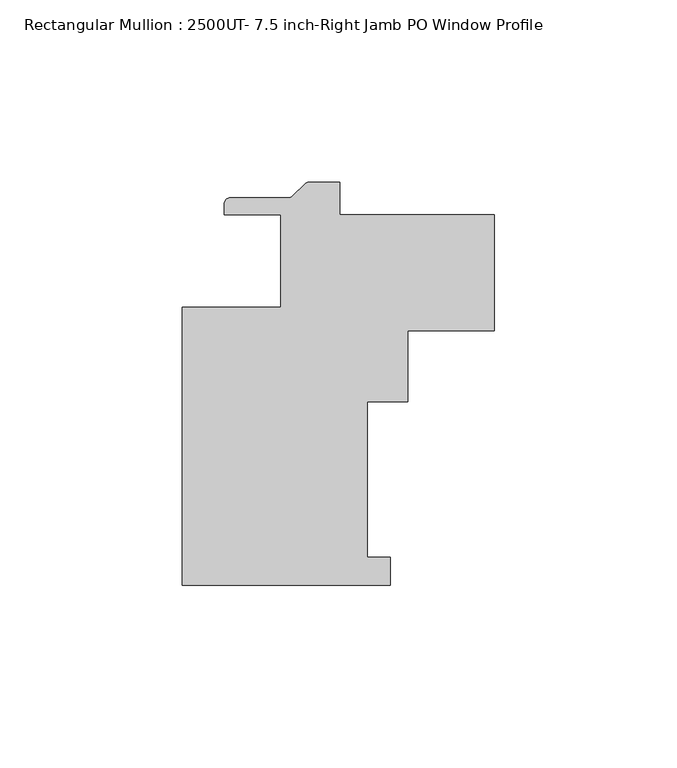
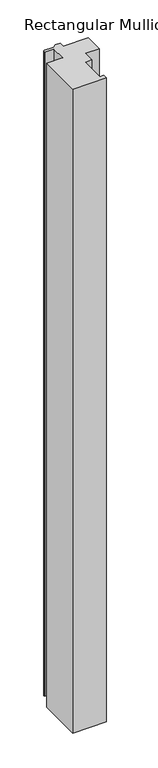
"""IFC4 building model written with IfcOpenShell, lengths in millimetres: member geometry, Rectangular Mullion : 2500UT- 7.5 inch-Right Jamb PO Window Profile."""

from ifc_helpers import new_model, si_unit, point, frame, frame_2d, origin, place, context, project, spatial, polyline, circle_curve, trimmed, segment, composite_curve, outline, extrude, source, transform, mapped, element, save


def rectangular_mullion_2500ut_7_5_inch_right_jamb_po_window_92ebf819(model_context):
    return source(origin(), model_context, "Body", "SweptSolid", [
        extrude(outline(composite_curve([segment(polyline([(-27.0362617, 21.828125), (-18.6724412, 21.828125), (-18.6724412, 12.862719), (23.7998, 12.862719), (23.7998, -18.887281), (0.0037083, -18.887281), (0.0037083, -38.414325), (-11.1087917, -38.414325), (-11.1087917, -81.118075), (-4.7587917, -81.118075), (-4.7587917, -88.737276), (-61.9087917, -88.737276), (-61.9087917, -12.537276), (-34.9212916, -12.537276), (-34.9212916, 12.8619249), (-50.4224412, 12.8619249), (-50.4224412, 15.782925)]), True, "CONTINUOUS"), segment(trimmed(circle_curve(frame_2d((-48.6444412, 15.782925)), 1.778), [point((-50.4224412, 15.782925))], [point((-48.6444412, 17.560925))], False, "CARTESIAN"), True, "CONTINUOUS"), segment(polyline([(-48.6444412, 17.560925), (-32.7764051, 17.560925)]), True, "CONTINUOUS"), segment(trimmed(circle_curve(frame_2d((-32.7764051, 19.338925)), 1.778), [point((-32.7764051, 17.560925))], [point((-31.5191693, 18.0816891))], True, "CARTESIAN"), True, "CONTINUOUS"), segment(polyline([(-31.5191693, 18.0816891), (-28.2934976, 21.3073609)]), True, "CONTINUOUS"), segment(trimmed(circle_curve(frame_2d((-27.0362617, 20.050125)), 1.778), [point((-28.2934976, 21.3073609))], [point((-27.0362617, 21.828125))], False, "CARTESIAN"), True, "CONTINUOUS")], self_intersect=False)), frame((0.0, 0.0, -1154.90625), z_axis=(0.0, 0.0, 1.0), x_axis=(1.0, 0.0, 0.0)), (0.0, 0.0, 1.0), 1154.90625),
    ])


if __name__ == "__main__":
    model = new_model("IFC4")
    model_context = context("Model", 3, world=origin())
    ifc_project = project(units=[si_unit("LENGTHUNIT", "METRE", prefix="MILLI")], contexts=[model_context])
    site = spatial("IfcSite", under=ifc_project)
    building = spatial("IfcBuilding", under=site)
    placement = place(None, origin())
    rectangular_mullion_2500ut_7_5_inch_right_jamb_po_window_shape = rectangular_mullion_2500ut_7_5_inch_right_jamb_po_window_92ebf819(model_context)
    element("IfcMember", 1, ObjectType="Rectangular Mullion : 2500UT- 7.5 inch-Right Jamb PO Window Profile", at=placement, inside=building, context=model_context, shape_type="MappedRepresentation", body=[
        mapped(rectangular_mullion_2500ut_7_5_inch_right_jamb_po_window_shape, transform((0.0, 0.0, 0.0), x_axis=(1.0, 0.0, 0.0), y_axis=(0.0, 1.0, 0.0), z_axis=(0.0, 0.0, 1.0))),
    ])
    save(model, "model.ifc")
